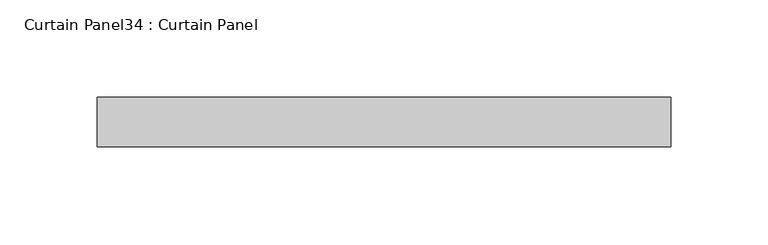
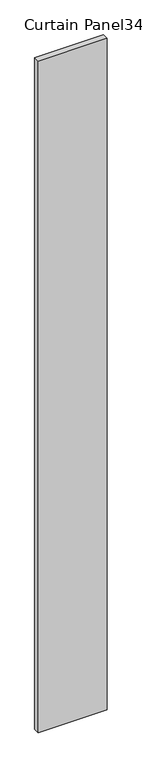
"""IFC4 building model written with IfcOpenShell, lengths in millimetres: plate geometry, Curtain Panel34 : Curtain Panel."""

from ifc_helpers import new_model, si_unit, frame, origin, place, context, project, spatial, polyline, outline, extrude, source, transform, mapped, element, save


def curtain_panel34_curtain_panel_02d1cbef(model_context):
    return source(origin(), model_context, "Body", "SweptSolid", [
        extrude(outline(polyline([(46316.51201, 2296.6365035), (46021.2415057, 2296.6365035), (46021.2415057, 2322.0365035), (46316.51201, 2322.0365035), (46316.51201, 2296.6365035)])), frame((0.0, 0.0, -626.2681873), z_axis=(0.0, 0.0, 1.0), x_axis=(1.0, 0.0, 0.0)), (0.0, 0.0, 1.0), 3048.0),
    ])


if __name__ == "__main__":
    model = new_model("IFC4")
    model_context = context("Model", 3, world=origin())
    ifc_project = project(units=[si_unit("LENGTHUNIT", "METRE", prefix="MILLI")], contexts=[model_context])
    site = spatial("IfcSite", under=ifc_project)
    building = spatial("IfcBuilding", under=site)
    placement = place(None, origin())
    curtain_panel34_curtain_panel_shape = curtain_panel34_curtain_panel_02d1cbef(model_context)
    element("IfcPlate", 1, ObjectType="Curtain Panel34 : Curtain Panel", at=placement, inside=building, context=model_context, shape_type="MappedRepresentation", body=[
        mapped(curtain_panel34_curtain_panel_shape, transform((0.0, 0.0, 0.0), x_axis=(1.0, 0.0, 0.0), y_axis=(0.0, 1.0, 0.0), z_axis=(0.0, 0.0, 1.0))),
    ])
    save(model, "model.ifc")
